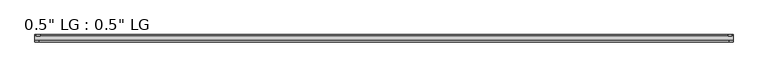
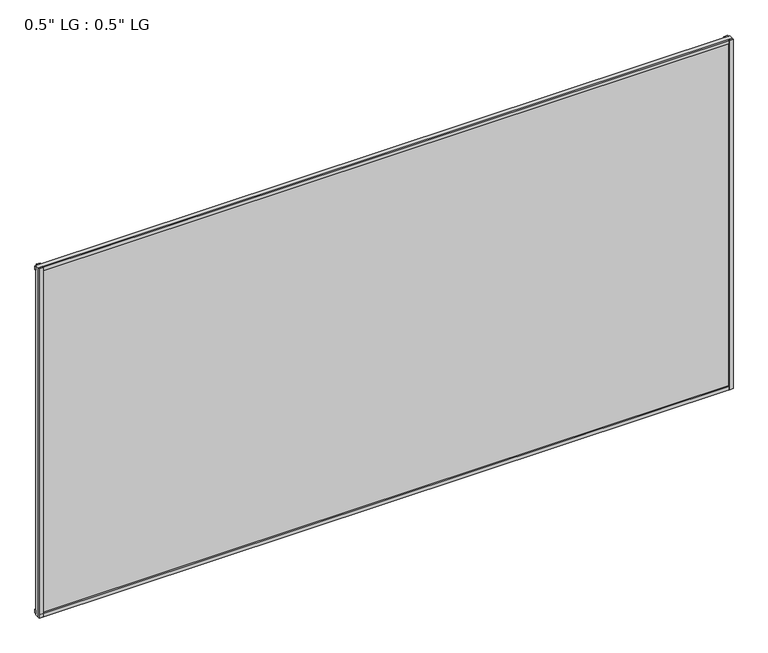
"""IFC4 building model written with IfcOpenShell, lengths in millimetres: plate geometry."""

from ifc_helpers import new_model, si_unit, frame, origin, origin_with_axes, place, context, project, spatial, polyline, outline, extrude, source, transform, mapped, element, save


def plate_42940de9(model_context):
    return source(origin(), model_context, "Body", "SweptSolid", [
        extrude(outline(polyline([(1080.7522048, -33.3271813), (1080.7522048, -38.0007813), (1068.6145252, -38.0007813), (1068.6145252, -33.3271813), (1080.7522048, -33.3271813)])), origin_with_axes(), (0.0, 0.0, 1.0), 1151.4819562),
        extrude(outline(polyline([(1077.2208511, -15.5217813), (1077.2208511, -19.7127813), (1065.2084273, -19.7127813), (1065.2084273, -15.5217813), (1077.2208511, -15.5217813)])), origin_with_axes(), (0.0, 0.0, 1.0), 1151.4819562),
        extrude(outline(polyline([(-1068.4616268, -38.0007812), (-1080.7522048, -38.0007812), (-1080.7522048, -33.3271813), (-1068.4616268, -33.3271813), (-1068.4616268, -38.0007812)])), origin_with_axes(), (0.0, 0.0, 1.0), 1151.4819562),
        extrude(outline(polyline([(-1064.5023889, -19.7127813), (-1076.7929669, -19.7127813), (-1076.7929669, -15.5217812), (-1064.5023889, -15.5217812), (-1064.5023889, -19.7127813)])), origin_with_axes(), (0.0, 0.0, 1.0), 1151.4819562),
        extrude(outline(polyline([(1080.7522048, -33.3271813), (1080.7522048, -38.0007813), (-1080.7522048, -38.0007812), (-1080.7522048, -33.3271812), (1080.7522048, -33.3271813)])), origin_with_axes(), (0.0, 0.0, 1.0), 11.1693096),
        extrude(outline(polyline([(1080.7522048, -15.3590708), (1080.7522048, -20.1364307), (-1080.7522048, -20.1364307), (-1080.7522048, -15.3590708), (1080.7522048, -15.3590708)])), frame((0.0, 0.0, 3.848913), z_axis=(0.0, 0.0, 1.0), x_axis=(1.0, 0.0, 0.0)), (0.0, 0.0, 1.0), 11.1693096),
        extrude(outline(polyline([(1080.7522048, -33.3271813), (1080.7522048, -38.0007813), (-1080.7522048, -38.0007812), (-1080.7522048, -33.3271812), (1080.7522048, -33.3271813)])), frame((0.0, 0.0, 1140.3008503), z_axis=(0.0, 0.0, 1.0), x_axis=(1.0, 0.0, 0.0)), (0.0, 0.0, 1.0), 11.1811058),
        extrude(outline(polyline([(1080.7522048, -15.5217813), (1080.7522048, -19.7127813), (-1080.7522048, -19.7127812), (-1080.7522048, -15.5217812), (1080.7522048, -15.5217813)])), frame((0.0, 0.0, 1135.7417036), z_axis=(0.0, 0.0, 1.0), x_axis=(1.0, 0.0, 0.0)), (0.0, 0.0, 1.0), 11.1811058),
        extrude(outline(polyline([(1080.7522048, -33.3271812), (-1080.7522048, -33.3271812), (-1080.7522048, -19.7127812), (1080.7522048, -19.7127812), (1080.7522048, -33.3271812)])), origin_with_axes(), (0.0, 0.0, 1.0), 1151.4819562),
    ])


if __name__ == "__main__":
    model = new_model("IFC4")
    model_context = context("Model", 3, world=origin())
    ifc_project = project(units=[si_unit("LENGTHUNIT", "METRE", prefix="MILLI")], contexts=[model_context])
    site = spatial("IfcSite", under=ifc_project)
    building = spatial("IfcBuilding", under=site)
    placement = place(None, origin())
    plate_shape = plate_42940de9(model_context)
    element("IfcPlate", 1, ObjectType="0.5\" LG : 0.5\" LG", at=placement, inside=building, context=model_context, shape_type="MappedRepresentation", body=[
        mapped(plate_shape, transform((0.0, 0.0, 0.0), x_axis=(1.0, 0.0, 0.0), y_axis=(0.0, 1.0, 0.0), z_axis=(0.0, 0.0, 1.0))),
    ])
    save(model, "model.ifc")
